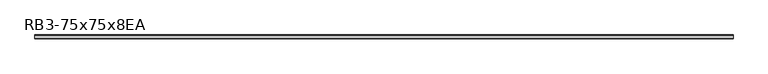
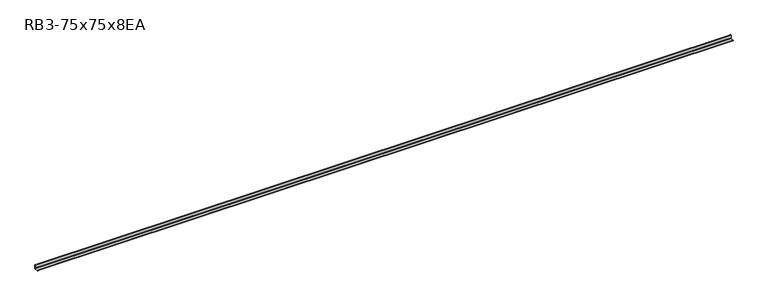
"""IFC4 building model written with IfcOpenShell, lengths in millimetres: member geometry, RB3-75x75x8EA."""

from ifc_helpers import new_model, si_unit, point, frame, frame_2d, origin, place, context, project, spatial, polyline, circle_curve, trimmed, segment, composite_curve, outline, extrude, source, transform, mapped, element, save


def rb3_75x75x8ea_339aef43(model_context):
    return source(origin(), model_context, "Body", "SweptSolid", [
        extrude(outline(composite_curve([segment(polyline([(21.3, -21.3), (-53.7, -21.3), (-53.7, -18.3)]), True, "CONTINUOUS"), segment(trimmed(circle_curve(frame_2d((-48.7, -18.3)), 5.0), [point((-53.7, -18.3))], [point((-48.7, -13.3))], False, "CARTESIAN"), True, "CONTINUOUS"), segment(polyline([(-48.7, -13.3), (5.3, -13.3)]), True, "CONTINUOUS"), segment(trimmed(circle_curve(frame_2d((5.3, -5.3)), 8.0), [point((5.3, -13.3))], [point((13.3, -5.3))], True, "CARTESIAN"), True, "CONTINUOUS"), segment(polyline([(13.3, -5.3), (13.3, 48.7)]), True, "CONTINUOUS"), segment(trimmed(circle_curve(frame_2d((18.3, 48.7)), 5.0), [point((13.3, 48.7))], [point((18.3, 53.7))], False, "CARTESIAN"), True, "CONTINUOUS"), segment(polyline([(18.3, 53.7), (21.3, 53.7), (21.3, -21.3)]), True, "CONTINUOUS")], self_intersect=False)), frame((-6841.5, 0.0, 0.0), z_axis=(1.0, 0.0, 0.0), x_axis=(0.0, 1.0, 0.0)), (0.0, 0.0, 1.0), 13650.0),
    ])


if __name__ == "__main__":
    model = new_model("IFC4")
    model_context = context("Model", 3, world=origin())
    ifc_project = project(units=[si_unit("LENGTHUNIT", "METRE", prefix="MILLI")], contexts=[model_context])
    site = spatial("IfcSite", under=ifc_project)
    building = spatial("IfcBuilding", under=site)
    placement = place(None, origin())
    rb3_75x75x8ea_shape = rb3_75x75x8ea_339aef43(model_context)
    element("IfcMember", 1, ObjectType="RB3-75x75x8EA", at=placement, inside=building, context=model_context, shape_type="MappedRepresentation", body=[
        mapped(rb3_75x75x8ea_shape, transform((0.0, 0.0, 0.0), x_axis=(1.0, 0.0, 0.0), y_axis=(0.0, 1.0, 0.0), z_axis=(0.0, 0.0, 1.0))),
    ])
    save(model, "model.ifc")
